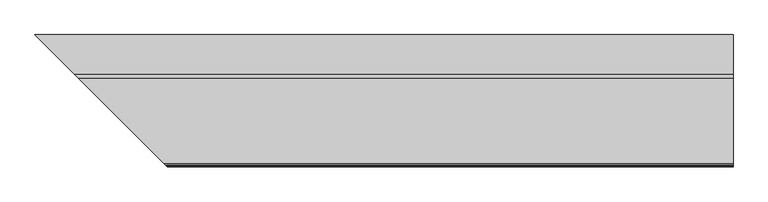
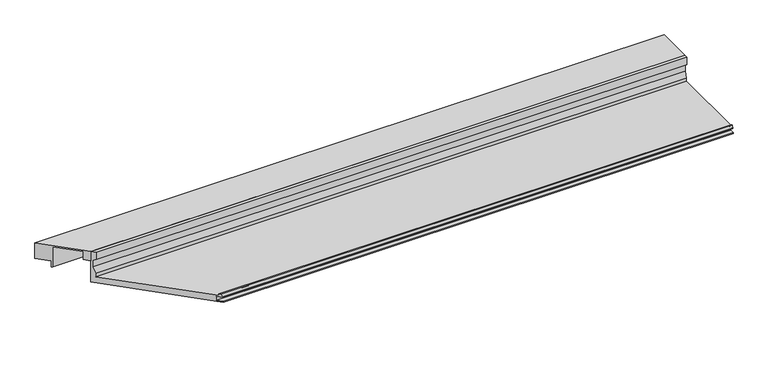
"""IFC4 building model written with IfcOpenShell, lengths in millimetres: proxy geometry."""

from ifc_helpers import new_model, si_unit, frame, origin, place, context, project, spatial, polyline, circle_curve, ellipse_curve, faceted_brep, source, transform, mapped, element, save
from ifc_brep_helpers import plane_surface, cylinder_surface, revolved_surface, advanced_brep


def specialty_equipment_eaf9fdd0(model_context):
    return source(origin(), model_context, "Body", "SolidModel", [
        faceted_brep([(-165.632524, 165.632524, 63.5), (-235.482524, 235.482524, 63.5), (-235.482524, 235.482524, 31.75), (-215.241899, 215.241899, 31.75), (-215.241899, 215.241899, 19.05), (-212.9598677, 212.9598677, 19.05), (-212.9598677, 212.9598677, 61.1898306), (-175.284524, 175.284524, 61.1898306), (-175.284524, 175.284524, 44.45), (-165.632524, 165.632524, 44.45), (1006.4730587, 235.482524, 63.5), (1006.4730587, 165.632524, 63.5), (1006.4730587, 165.632524, 44.45), (1006.4730587, 175.284524, 44.45), (1006.4730587, 175.284524, 61.1898306), (1006.4730587, 212.9598677, 61.1898306), (1006.4730587, 212.9598677, 19.05), (1006.4730587, 215.241899, 19.05), (1006.4730587, 215.241899, 31.75), (1006.4730587, 235.482524, 31.75)], [[[0, 1, 2, 3, 4, 5, 6, 7, 8, 9]], [[10, 11, 12, 13, 14, 15, 16, 17, 18, 19]], [[10, 1, 0, 11]], [[11, 0, 9, 12]], [[12, 9, 8, 13]], [[13, 8, 7, 14]], [[14, 7, 6, 15]], [[15, 6, 5, 16]], [[16, 5, 4, 17]], [[17, 4, 3, 18]], [[18, 3, 2, 19]], [[1, 10, 19, 2]]]),
        advanced_brep(
        [(-165.632524, 165.632524, 0.0), (0.0, 0.0, 0.0), (0.0, 0.0, 1.651), (-8.368424, 8.368424, 1.7970714), (-8.368424, 8.368424, 9.7466904), (-7.805541, 7.805541, 10.3095735), (-1.0402986, 1.0402986, 10.3095735), (-0.5832573, 0.5832573, 11.0269846), (-2.843924, 2.843924, 15.875), (-5.206124, 5.206124, 15.875), (-5.206124, 5.206124, 12.7), (-159.282524, 159.282524, 12.7), (-159.282524, 159.282524, 19.05), (-163.346524, 163.346524, 31.75), (-163.346524, 163.346524, 46.0298451), (-158.495124, 158.495124, 48.3942822), (-158.495124, 158.495124, 63.5), (-165.632524, 165.632524, 63.5), (1006.4730587, 0.0, 0.0), (1006.4730587, 165.632524, 0.0), (1006.4730587, 165.632524, 63.5), (1006.4730587, 158.495124, 63.5), (1006.4730587, 158.495124, 48.3942822), (1006.4730587, 163.346524, 46.0298451), (1006.4730587, 163.346524, 31.75), (1006.4730587, 159.282524, 19.05), (1006.4730587, 159.282524, 12.7), (1006.4730587, 5.206124, 12.7), (1006.4730587, 5.206124, 15.875), (1006.4730587, 2.843924, 15.875), (1006.4730587, 0.5832573, 11.0269846), (1006.4730587, 1.0402986, 10.3095735), (1006.4730587, 7.805541, 10.3095735), (1006.4730587, 8.368424, 9.7466904), (1006.4730587, 8.368424, 1.7970714), (1006.4730587, 0.0, 1.651)],
        [
            (0, 1),
            (1, 2),
            (2, 3),
            (3, 4),
            (4, 5, ellipse_curve(frame((-7.805541, 7.805541, 9.7466904), z_axis=(0.7071067811865487, 0.7071067811865465, 0.0), x_axis=(0.7071067811865462, -0.7071067811865487, 0.0)), 0.7960368, 0.562883)),
            (5, 6),
            (6, 7, ellipse_curve(frame((-1.0402986, 1.0402986, 10.8138628), z_axis=(-0.7071067811865487, -0.7071067811865465, 0.0), x_axis=(-0.7071067811865462, 0.7071067811865487, 0.0)), 0.7131728, 0.5042893)),
            (7, 8),
            (8, 9),
            (9, 10),
            (10, 11),
            (11, 12),
            (12, 13),
            (13, 14),
            (14, 15),
            (15, 16),
            (16, 17),
            (17, 0),
            (18, 19),
            (19, 20),
            (20, 21),
            (21, 22),
            (22, 23),
            (23, 24),
            (24, 25),
            (25, 26),
            (26, 27),
            (27, 28),
            (28, 29),
            (29, 30),
            (30, 31, circle_curve(frame((1006.4730587, 1.0402986, 10.8138628), z_axis=(1.0, 0.0, 0.0), x_axis=(0.0, 1.0, 0.0)), 0.5042893)),
            (31, 32),
            (32, 33, circle_curve(frame((1006.4730587, 7.805541, 9.7466904), z_axis=(-1.0, 0.0, 0.0), x_axis=(0.0, 1.0, 0.0)), 0.562883)),
            (33, 34),
            (34, 35),
            (35, 18),
            (0, 19),
            (18, 1),
            (35, 2),
            (34, 3),
            (33, 4),
            (32, 5),
            (31, 6),
            (30, 7),
            (29, 8),
            (28, 9),
            (27, 10),
            (26, 11),
            (25, 12),
            (24, 13),
            (23, 14),
            (22, 15),
            (21, 16),
            (20, 17),
        ],
        [
            plane_surface(frame((0.0, 0.0, 304.8), z_axis=(-0.7071067811865487, -0.7071067811865465, 0.0), x_axis=(0.0, 0.0, -1.0))),
            plane_surface(frame((1006.4730587, 508.0, 304.8), z_axis=(1.0, 0.0, 0.0), x_axis=(0.0, 0.0, -1.0))),
            plane_surface(frame((-406.4, 165.632524, 0.0), z_axis=(0.0, 0.0, -1.0), x_axis=(1.0, 0.0, 0.0))),
            plane_surface(frame((-406.4, 0.0, 0.0), z_axis=(0.0, -1.0, 0.0), x_axis=(1.0, 0.0, 0.0))),
            plane_surface(frame((-406.4, 0.0, 1.651), z_axis=(0.0, -0.01745240643728535, 0.9998476951563913), x_axis=(1.0, 0.0, 0.0))),
            plane_surface(frame((-406.4, 8.368424, 1.7970714), z_axis=(0.0, -1.0, 0.0), x_axis=(1.0, 0.0, 0.0))),
            revolved_surface(polyline([(1006.4730587, 8.368424, 9.7466904), (-8.368424019354052, 8.368424, 9.7466904)]), (-406.4, 7.805541, 9.7466904), (1.0, 0.0, 0.0)),
            plane_surface(frame((-406.4, 7.805541, 10.3095735), z_axis=(0.0, 0.0, -1.0), x_axis=(1.0, 0.0, 0.0))),
            cylinder_surface(frame((-406.4, 1.0402986, 10.8138628), z_axis=(-1.0, 0.0, 0.0), x_axis=(0.0, 1.0, 0.0)), 0.5042893),
            plane_surface(frame((-406.4, 0.5832573, 11.0269846), z_axis=(0.0, -0.9063077870366325, 0.4226182617407369), x_axis=(1.0, 0.0, 0.0))),
            plane_surface(frame((-406.4, 2.843924, 15.875), z_axis=(0.0, 0.0, 1.0), x_axis=(1.0, 0.0, 0.0))),
            plane_surface(frame((-406.4, 5.206124, 15.875), z_axis=(0.0, 1.0, 0.0), x_axis=(1.0, 0.0, 0.0))),
            plane_surface(frame((-406.4, 5.206124, 12.7), z_axis=(0.0, 0.0, 1.0), x_axis=(1.0, 0.0, 0.0))),
            plane_surface(frame((-406.4, 159.282524, 12.7), z_axis=(0.0, -1.0, 0.0), x_axis=(1.0, 0.0, 0.0))),
            plane_surface(frame((-406.4, 159.282524, 19.05), z_axis=(0.0, -0.9524241471993259, 0.3047757271037786), x_axis=(1.0, 0.0, 0.0))),
            plane_surface(frame((-406.4, 163.346524, 31.75), z_axis=(0.0, -1.0, 0.0), x_axis=(1.0, 0.0, 0.0))),
            plane_surface(frame((-406.4, 163.346524, 46.0298451), z_axis=(0.0, -0.4381093610951833, -0.8989216805266022), x_axis=(1.0, 0.0, 0.0))),
            plane_surface(frame((-406.4, 158.495124, 48.3942822), z_axis=(0.0, -1.0, 0.0), x_axis=(1.0, 0.0, 0.0))),
            plane_surface(frame((-406.4, 158.495124, 63.5), z_axis=(0.0, 0.0, 1.0), x_axis=(1.0, 0.0, 0.0))),
            plane_surface(frame((-406.4, 165.632524, 63.5), z_axis=(0.0, 1.0, 0.0), x_axis=(1.0, 0.0, 0.0))),
        ],
        [
            (0, [[1, 2, 3, 4, 5, 6, 7, 8, 9, 10, 11, 12, 13, 14, 15, 16, 17, 18]]),
            (1, [[19, 20, 21, 22, 23, 24, 25, 26, 27, 28, 29, 30, 31, 32, 33, 34, 35, 36]]),
            (2, [[37, -19, 38, -1]]),
            (3, [[-38, -36, 39, -2]]),
            (4, [[-39, -35, 40, -3]]),
            (5, [[-40, -34, 41, -4]]),
            (6, [[-41, -33, 42, -5]]),
            (7, [[-42, -32, 43, -6]]),
            (8, [[-43, -31, 44, -7]]),
            (9, [[-44, -30, 45, -8]]),
            (10, [[-45, -29, 46, -9]]),
            (11, [[-46, -28, 47, -10]]),
            (12, [[-47, -27, 48, -11]]),
            (13, [[-48, -26, 49, -12]]),
            (14, [[-49, -25, 50, -13]]),
            (15, [[-50, -24, 51, -14]]),
            (16, [[-51, -23, 52, -15]]),
            (17, [[-52, -22, 53, -16]]),
            (18, [[-53, -21, 54, -17]]),
            (19, [[-37, -18, -54, -20]]),
        ],
    ),
    ])


if __name__ == "__main__":
    model = new_model("IFC4")
    model_context = context("Model", 3, world=origin())
    ifc_project = project(units=[si_unit("LENGTHUNIT", "METRE", prefix="MILLI")], contexts=[model_context])
    site = spatial("IfcSite", under=ifc_project)
    building = spatial("IfcBuilding", under=site)
    placement = place(None, origin())
    specialty_equipment_shape = specialty_equipment_eaf9fdd0(model_context)
    element("IfcBuildingElementProxy", 1, Name="Specialty Equipment", at=placement, inside=building, context=model_context, shape_type="MappedRepresentation", body=[
        mapped(specialty_equipment_shape, transform((0.0, 0.0, 0.0), x_axis=(1.0, 0.0, 0.0), y_axis=(0.0, 1.0, 0.0), z_axis=(0.0, 0.0, 1.0))),
    ])
    save(model, "model.ifc")
